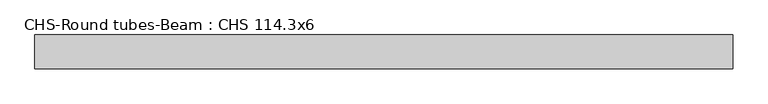
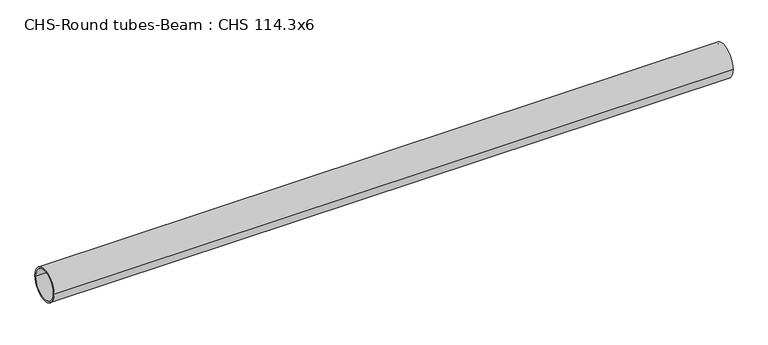
"""IFC4 building model written with IfcOpenShell, lengths in millimetres: beam geometry, CHS-Round tubes-Beam : CHS 114.3x6."""

from ifc_helpers import new_model, si_unit, point, frame, origin, origin_2d, place, context, project, spatial, circle_curve, trimmed, segment, composite_curve, outline, extrude, source, transform, mapped, element, save


def chs_round_tubes_beam_chs_114_3x6_e62643a2(model_context):
    return source(origin(), model_context, "Body", "SweptSolid", [
        extrude(outline(composite_curve([segment(trimmed(circle_curve(origin_2d(), 57.15), [point((57.15, 0.0))], [point((-57.15, 0.0))], False, "CARTESIAN"), True, "CONTINUOUS"), segment(trimmed(circle_curve(origin_2d(), 57.15), [point((-57.15, 0.0))], [point((57.15, 0.0))], False, "CARTESIAN"), True, "CONTINUOUS")], self_intersect=False), holes=[composite_curve([segment(trimmed(circle_curve(origin_2d(), 51.15), [point((51.15, 0.0))], [point((-51.15, 0.0))], True, "CARTESIAN"), True, "CONTINUOUS"), segment(trimmed(circle_curve(origin_2d(), 51.15), [point((-51.15, 0.0))], [point((51.15, 0.0))], True, "CARTESIAN"), True, "CONTINUOUS")], self_intersect=False)]), frame((-1133.8224452, 0.0, 0.0), z_axis=(1.0, 0.0, 0.0), x_axis=(0.0, 1.0, 0.0)), (0.0, 0.0, 1.0), 2359.9168119),
    ])


if __name__ == "__main__":
    model = new_model("IFC4")
    model_context = context("Model", 3, world=origin())
    ifc_project = project(units=[si_unit("LENGTHUNIT", "METRE", prefix="MILLI")], contexts=[model_context])
    site = spatial("IfcSite", under=ifc_project)
    building = spatial("IfcBuilding", under=site)
    placement = place(None, origin())
    chs_round_tubes_beam_chs_114_3x6_shape = chs_round_tubes_beam_chs_114_3x6_e62643a2(model_context)
    element("IfcBeam", 1, ObjectType="CHS-Round tubes-Beam : CHS 114.3x6", at=placement, inside=building, context=model_context, shape_type="MappedRepresentation", body=[
        mapped(chs_round_tubes_beam_chs_114_3x6_shape, transform((0.0, 0.0, 0.0), x_axis=(1.0, 0.0, 0.0), y_axis=(0.0, 1.0, 0.0), z_axis=(0.0, 0.0, 1.0))),
    ])
    save(model, "model.ifc")
